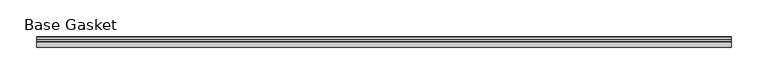
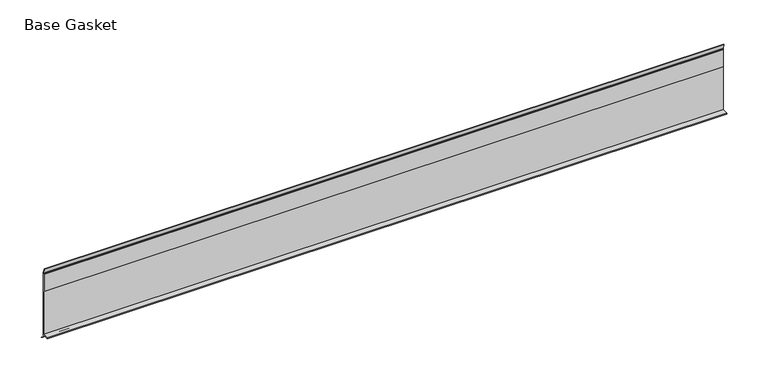
"""IFC4 building model written with IfcOpenShell, lengths in millimetres: furniture geometry, Base Gasket."""

from ifc_helpers import new_model, si_unit, frame, origin, place, context, project, spatial, polyline, outline, extrude, source, transform, mapped, element, save


def base_gasket_0e477ec8(model_context):
    return source(origin(), model_context, "Body", "SweptSolid", [
        extrude(outline(polyline([(3.7283812, 98.4568417), (3.7283812, 4.3498477), (7.4222115, 0.6560174), (7.8482342, 0.0), (6.8281054, 0.3520979), (2.2043812, 4.3498477), (2.1334222, 6.3818476), (-6.2405171, 6.3818476), (-6.2405171, 7.9398773), (2.2043812, 7.9398773), (2.2043812, 71.4693447), (1.4106313, 71.4693447), (1.4106313, 96.8693477), (2.2043812, 96.8693477), (2.2043812, 98.4568417), (0.6755308, 104.4162708), (0.6755308, 105.2002997), (1.1891543, 104.587663), (3.7283812, 98.4568417)])), frame((-1527.8982117, 0.0, 0.0), z_axis=(1.0, 0.0, 0.0), x_axis=(0.0, 1.0, 0.0)), (0.0, 0.0, 1.0), 946.3092012),
    ])


if __name__ == "__main__":
    model = new_model("IFC4")
    model_context = context("Model", 3, world=origin())
    ifc_project = project(units=[si_unit("LENGTHUNIT", "METRE", prefix="MILLI")], contexts=[model_context])
    site = spatial("IfcSite", under=ifc_project)
    building = spatial("IfcBuilding", under=site)
    placement = place(None, origin())
    base_gasket_shape = base_gasket_0e477ec8(model_context)
    element("IfcFurniture", 1, ObjectType="Base Gasket", at=placement, inside=building, context=model_context, shape_type="MappedRepresentation", body=[
        mapped(base_gasket_shape, transform((0.0, 0.0, 0.0), x_axis=(1.0, 0.0, 0.0), y_axis=(0.0, 1.0, 0.0), z_axis=(0.0, 0.0, 1.0))),
    ])
    save(model, "model.ifc")
